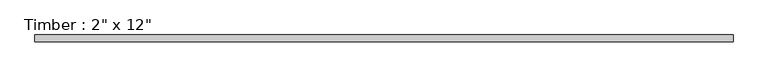
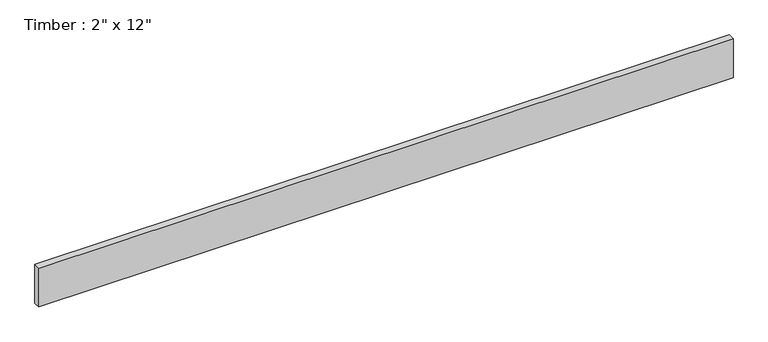
"""IFC4 building model written with IfcOpenShell, lengths in millimetres: beam geometry."""

from ifc_helpers import new_model, si_unit, frame, origin, place, context, project, spatial, polyline, outline, extrude, source, transform, mapped, element, save


def beam_02a1c1db(model_context):
    return source(origin(), model_context, "Body", "SweptSolid", [
        extrude(outline(polyline([(2586.5214729, 25.4), (2586.5214729, -25.4), (-2586.5214729, -25.4), (-2586.5214729, 25.4), (2586.5214729, 25.4)])), frame((0.0, 0.0, -152.4), z_axis=(0.0, 0.0, 1.0), x_axis=(1.0, 0.0, 0.0)), (0.0, 0.0, 1.0), 304.8),
    ])


if __name__ == "__main__":
    model = new_model("IFC4")
    model_context = context("Model", 3, world=origin())
    ifc_project = project(units=[si_unit("LENGTHUNIT", "METRE", prefix="MILLI")], contexts=[model_context])
    site = spatial("IfcSite", under=ifc_project)
    building = spatial("IfcBuilding", under=site)
    placement = place(None, origin())
    beam_shape = beam_02a1c1db(model_context)
    element("IfcBeam", 1, ObjectType="Timber : 2\" x 12\"", at=placement, inside=building, context=model_context, shape_type="MappedRepresentation", body=[
        mapped(beam_shape, transform((0.0, 0.0, 0.0), x_axis=(1.0, 0.0, 0.0), y_axis=(0.0, 1.0, 0.0), z_axis=(0.0, 0.0, 1.0))),
    ])
    save(model, "model.ifc")
